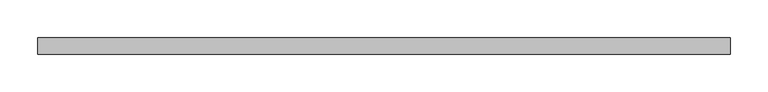
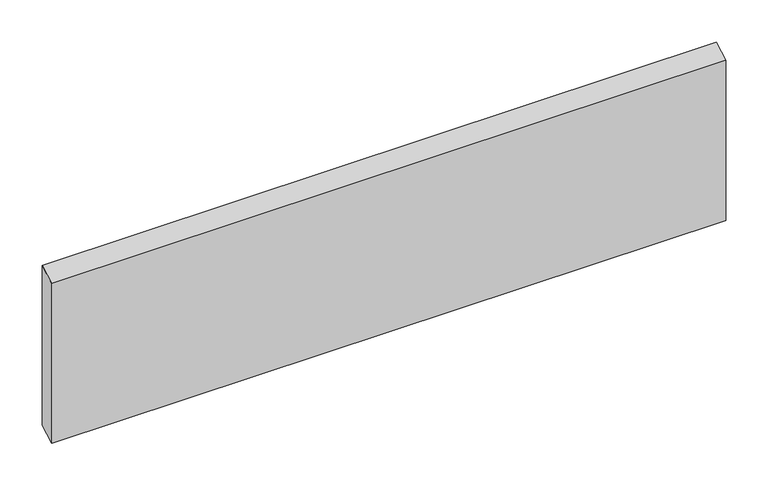
"""IFC4 building model written with IfcOpenShell, lengths in millimetres: beam geometry."""

from ifc_helpers import new_model, si_unit, frame, origin, place, context, project, spatial, polyline, outline, extrude, source, transform, mapped, element, save


def beam_7d90521e(model_context):
    return source(origin(), model_context, "Body", "SweptSolid", [
        extrude(outline(polyline([(11.0, 121.8209068), (11.0, -109.1192009), (-11.0, -121.8209068), (-11.0, 109.1192009), (11.0, 121.8209068)])), frame((-459.75, 0.0, 0.0), z_axis=(1.0, 0.0, 0.0), x_axis=(0.0, 1.0, 0.0)), (0.0, 0.0, 1.0), 919.5),
    ])


if __name__ == "__main__":
    model = new_model("IFC4")
    model_context = context("Model", 3, world=origin())
    ifc_project = project(units=[si_unit("LENGTHUNIT", "METRE", prefix="MILLI")], contexts=[model_context])
    site = spatial("IfcSite", under=ifc_project)
    building = spatial("IfcBuilding", under=site)
    placement = place(None, origin())
    beam_shape = beam_7d90521e(model_context)
    element("IfcBeam", 1, at=placement, inside=building, context=model_context, shape_type="MappedRepresentation", body=[
        mapped(beam_shape, transform((0.0, 0.0, 0.0), x_axis=(1.0, 0.0, 0.0), y_axis=(0.0, 1.0, 0.0), z_axis=(0.0, 0.0, 1.0))),
    ])
    save(model, "model.ifc")
